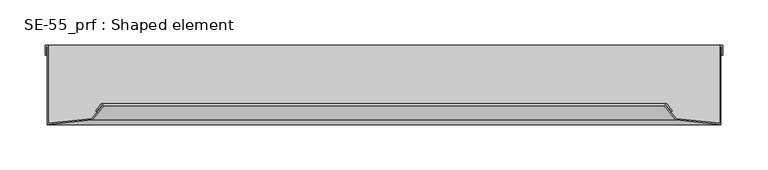
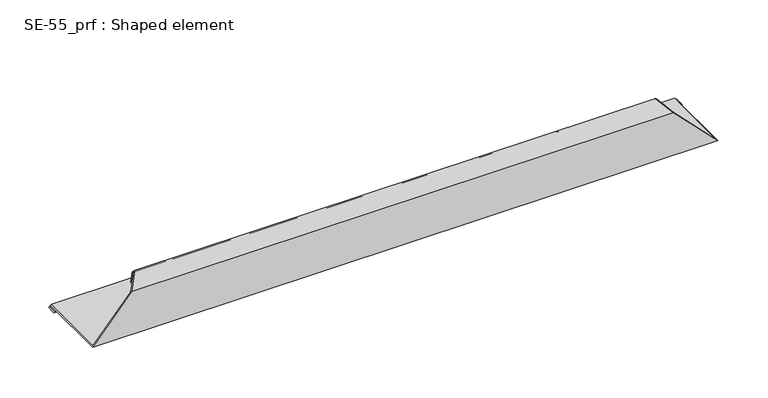
"""IFC4 building model written with IfcOpenShell, lengths in millimetres: proxy geometry, SE-55_prf : Shaped element."""

from ifc_helpers import new_model, si_unit, origin, place, context, project, spatial, faceted_brep, source, transform, mapped, element, save


def se_55_prf_shaped_element_c61fd0af(model_context):
    return source(origin(), model_context, "Body", "Brep", [
        faceted_brep([(2.0, 89.0, 2.0), (3.0, 89.0, 3.0), (3.0, 2.5365377, 3.0), (52.7260948, 7.7629609, 52.7260948), (65.381832, 23.3914949, 65.381832), (63.0503942, 25.279456, 63.0503942), (56.7571902, 17.5079964, 56.7571902), (57.5343362, 16.878676, 57.5343362), (63.1982197, 23.8729897, 63.1982197), (63.9753657, 23.2436693, 63.9753657), (52.2096218, 8.7141857, 52.2096218), (4.0, 3.6471503, 4.0), (4.0, 90.0, 4.0), (1.0, 90.0, 1.0), (1.0, 79.0, 1.0), (2.0, 79.0, 2.0), (748.0, 79.0, 2.0), (749.0, 79.0, 1.0), (749.0, 90.0, 1.0), (746.0, 90.0, 4.0), (746.0, 3.6471503, 4.0), (697.7903782, 8.7141857, 52.2096218), (686.0246343, 23.2436693, 63.9753657), (686.8017803, 23.8729897, 63.1982197), (692.4656638, 16.878676, 57.5343362), (693.2428098, 17.5079964, 56.7571902), (686.9496058, 25.279456, 63.0503942), (684.618168, 23.3914949, 65.381832), (697.2739052, 7.7629609, 52.7260948), (747.0, 2.5365377, 3.0), (747.0, 89.0, 3.0), (748.0, 89.0, 2.0)], [[[0, 1, 2, 3, 4, 5, 6, 7, 8, 9, 10, 11, 12, 13, 14, 15]], [[16, 17, 18, 19, 20, 21, 22, 23, 24, 25, 26, 27, 28, 29, 30, 31]], [[15, 16, 31, 0]], [[14, 17, 16, 15]], [[13, 18, 17, 14]], [[12, 19, 18, 13]], [[11, 20, 19, 12]], [[10, 21, 20, 11]], [[9, 22, 21, 10]], [[8, 23, 22, 9]], [[7, 24, 23, 8]], [[6, 25, 24, 7]], [[5, 26, 25, 6]], [[4, 27, 26, 5]], [[3, 28, 27, 4]], [[2, 29, 28, 3]], [[1, 30, 29, 2]], [[0, 31, 30, 1]]]),
    ])


if __name__ == "__main__":
    model = new_model("IFC4")
    model_context = context("Model", 3, world=origin())
    ifc_project = project(units=[si_unit("LENGTHUNIT", "METRE", prefix="MILLI")], contexts=[model_context])
    site = spatial("IfcSite", under=ifc_project)
    building = spatial("IfcBuilding", under=site)
    placement = place(None, origin())
    se_55_prf_shaped_element_shape = se_55_prf_shaped_element_c61fd0af(model_context)
    element("IfcBuildingElementProxy", 1, Name="SE-55_prf : Shaped element", ObjectType="SE-55_prf : Shaped element", at=placement, inside=building, context=model_context, shape_type="MappedRepresentation", body=[
        mapped(se_55_prf_shaped_element_shape, transform((0.0, 0.0, 0.0), x_axis=(1.0, 0.0, 0.0), y_axis=(0.0, 1.0, 0.0), z_axis=(0.0, 0.0, 1.0))),
    ])
    save(model, "model.ifc")
